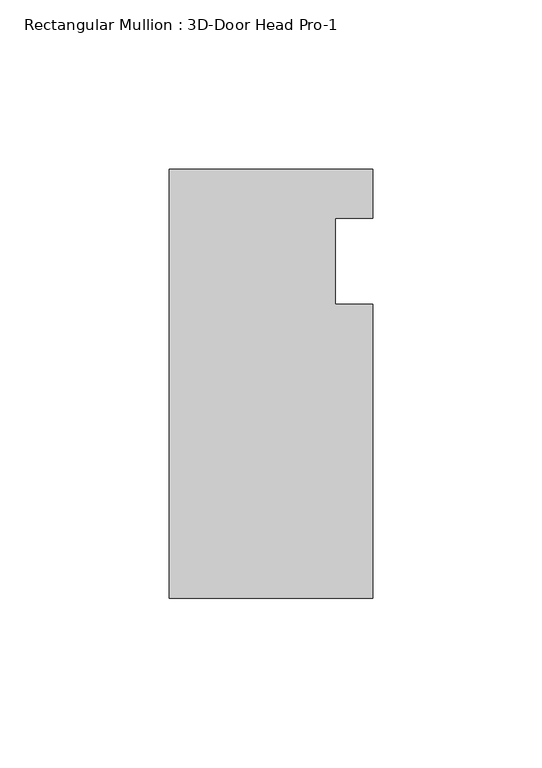
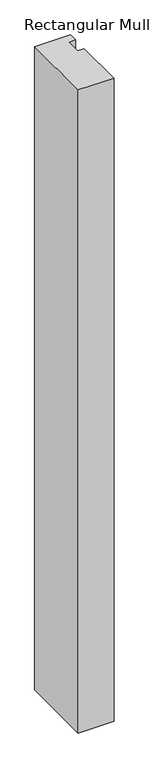
"""IFC4 building model written with IfcOpenShell, lengths in millimetres: member geometry, Rectangular Mullion : 3D-Door Head Pro-1."""

import ifcopenshell
import ifcopenshell.guid

model = None  # the IFC model being written
_history = None  # IfcOwnerHistory: only IFC2X3 demands one
_inside = {}  # id of a spatial element -> (the spatial element, [elements in it])
_under = {}  # id of a project, library or spatial element -> (it, [spatial elements below it])
_declared = {}  # id of a project -> (the project, [libraries it declares])
_typed = {}  # id of a type object -> (the type object, [elements of that type])
_made_of = {}  # id of a material, layer set ... -> (it, [elements and type objects made of it])


def new_model(schema):
    """Start an empty IFC model of exactly this schema.

    Asked for "IFC4X3", IfcOpenShell would pick the latest addendum, in which some entities
    have other attributes; the version numbers below select the first issue.
    IFC2X3 requires an IfcOwnerHistory on every rooted entity: one is made here for all.
    """
    global model, _history
    if schema == "IFC4X3":
        model = ifcopenshell.file(schema_version=(4, 3, 0, 0))
    else:
        model = ifcopenshell.file(schema=schema)
    _inside.clear()
    _under.clear()
    _declared.clear()
    _typed.clear()
    _made_of.clear()
    _history = None
    if model.schema == "IFC2X3":
        org = make("IfcOrganization", Name="unknown")
        user = make(
            "IfcPersonAndOrganization",
            ThePerson=make("IfcPerson", FamilyName="unknown"),
            TheOrganization=org,
        )
        app = make(
            "IfcApplication",
            ApplicationDeveloper=org,
            Version="unknown",
            ApplicationFullName="unknown",
            ApplicationIdentifier="unknown",
        )
        _history = make(
            "IfcOwnerHistory",
            OwningUser=user,
            OwningApplication=app,
            ChangeAction="ADDED",
            CreationDate=0,
        )
    return model


def make(cls, **values):
    """One entity of the class cls with the attributes given. An attribute that is None is left unset."""
    return model.create_entity(
        cls, **{name: value for name, value in values.items() if value is not None}
    )


def rooted(cls, **values):
    """An entity with a GlobalId (a new one), such as an element, a storey or a relation."""
    return make(cls, GlobalId=ifcopenshell.guid.new(), OwnerHistory=_history, **values)


def si_unit(unit_type, name, prefix=None):
    """IfcSIUnit, for example si_unit("LENGTHUNIT", "METRE", prefix="MILLI")."""
    return make("IfcSIUnit", UnitType=unit_type, Prefix=prefix, Name=name)


def assignment(units):
    """IfcUnitAssignment: the units of a project."""
    return None if units is None else make("IfcUnitAssignment", Units=units)


def point(xyz):
    """IfcCartesianPoint."""
    return None if xyz is None else make("IfcCartesianPoint", Coordinates=xyz)


def direction(xyz):
    """IfcDirection."""
    return None if xyz is None else make("IfcDirection", DirectionRatios=xyz)


def frame(location, z_axis=None, x_axis=None):
    """IfcAxis2Placement3D, a coordinate frame: its origin and axes. An axis left out is left unset."""
    return make(
        "IfcAxis2Placement3D",
        Location=point(location),
        Axis=direction(z_axis),
        RefDirection=direction(x_axis),
    )


def origin():
    """The frame at (0, 0, 0) with its axes left unset."""
    return frame((0.0, 0.0, 0.0))


def place(relative_to, where):
    """IfcLocalPlacement: puts the frame where relative to a parent placement (None: the world)."""
    return make(
        "IfcLocalPlacement", PlacementRelTo=relative_to, RelativePlacement=where
    )


def context(
    kind, dimensions, precision=None, world=None, true_north=None, identifier=None
):
    """IfcGeometricRepresentationContext, for example the 3D "Model" context."""
    return make(
        "IfcGeometricRepresentationContext",
        ContextIdentifier=identifier,
        ContextType=kind,
        CoordinateSpaceDimension=dimensions,
        Precision=precision,
        WorldCoordinateSystem=world,
        TrueNorth=true_north,
    )


def project(units=None, contexts=None):
    """IfcProject with its units and contexts."""
    return rooted(
        "IfcProject",
        Name="project",
        RepresentationContexts=contexts,
        UnitsInContext=assignment(units),
    )


def spatial(cls, under=None, at=None, **own):
    """A site, building, storey or space (cls), placed at a placement, below another one or the project."""
    s = rooted(cls, ObjectPlacement=at, **own)
    if under is not None:
        _under.setdefault(under.id(), (under, []))[1].append(s)
    return s


def polyline(points):
    """IfcPolyline through the points."""
    return make("IfcPolyline", Points=[point(p) for p in points])


def outline(outer, holes=None, kind="AREA"):
    """IfcArbitraryClosedProfileDef: a profile drawn as a closed curve; with holes, ...WithVoids."""
    if holes is None:
        return make("IfcArbitraryClosedProfileDef", ProfileType=kind, OuterCurve=outer)
    return make(
        "IfcArbitraryProfileDefWithVoids",
        ProfileType=kind,
        OuterCurve=outer,
        InnerCurves=holes,
    )


def extrude(swept, where, along, depth):
    """IfcExtrudedAreaSolid: the profile swept, set in the frame where, extruded along a direction by depth."""
    return make(
        "IfcExtrudedAreaSolid",
        SweptArea=swept,
        Position=where,
        ExtrudedDirection=direction(along),
        Depth=depth,
    )


def shape(context_of_items, identifier, shape_type, items):
    """IfcShapeRepresentation: the items that make up one representation, for example the "Body"."""
    return make(
        "IfcShapeRepresentation",
        ContextOfItems=context_of_items,
        RepresentationIdentifier=identifier,
        RepresentationType=shape_type,
        Items=items,
    )


def source(mapping_origin, context_of_items, identifier, shape_type, items):
    """IfcRepresentationMap: a shape defined once, which mapped items show again and again."""
    return make(
        "IfcRepresentationMap",
        MappingOrigin=mapping_origin,
        MappedRepresentation=shape(context_of_items, identifier, shape_type, items),
    )


def transform(
    local_origin,
    x_axis=None,
    y_axis=None,
    z_axis=None,
    scale=None,
    scale2=None,
    scale3=None,
    uniform=True,
):
    """IfcCartesianTransformationOperator3D, or its non-uniform kind. x_axis, y_axis, z_axis: its Axis1, 2, 3."""
    if uniform:
        return make(
            "IfcCartesianTransformationOperator3D",
            Axis1=direction(x_axis),
            Axis2=direction(y_axis),
            LocalOrigin=point(local_origin),
            Scale=scale,
            Axis3=direction(z_axis),
        )
    return make(
        "IfcCartesianTransformationOperator3DnonUniform",
        Axis1=direction(x_axis),
        Axis2=direction(y_axis),
        LocalOrigin=point(local_origin),
        Scale=scale,
        Axis3=direction(z_axis),
        Scale2=scale2,
        Scale3=scale3,
    )


def mapped(mapping_source, mapping_target):
    """IfcMappedItem: shows the shape of a source again, moved by a transform."""
    return make(
        "IfcMappedItem", MappingSource=mapping_source, MappingTarget=mapping_target
    )


def made_of(thing, what):
    """Note that an element or type object is made of a material, layer set ...; save() writes the relation."""
    if what is not None:
        _made_of.setdefault(what.id(), (what, []))[1].append(thing)
    return thing


def element(
    cls,
    number,
    at=None,
    inside=None,
    cuts=None,
    type_object=None,
    material=None,
    context=None,
    identifier="Body",
    shape_type=None,
    held_by="IfcProductDefinitionShape",
    body=None,
    shapes=None,
    **own,
):
    """One element of the class cls, such as IfcWall. Its Tag is "e" and its number.

    at: its placement. inside: the storey or other place that contains it. cuts: it is an
    opening in that element (IfcRelVoidsElement). A single representation is given by context,
    identifier, shape_type and body (its items); several are given by shapes. held_by: the class
    of the entity that holds the representations. save() writes the other relations.
    """
    e = rooted(cls, Tag="e%d" % number, ObjectPlacement=at, **own)
    if body is not None:
        shapes = [shape(context, identifier, shape_type, body)]
    if shapes is not None:
        e.Representation = make(held_by, Representations=shapes)
    if inside is not None:
        _inside.setdefault(inside.id(), (inside, []))[1].append(e)
    if cuts is not None:
        rooted(
            "IfcRelVoidsElement", RelatingBuildingElement=cuts, RelatedOpeningElement=e
        )
    if type_object is not None:
        _typed.setdefault(type_object.id(), (type_object, []))[1].append(e)
    return made_of(e, material)


def aggregate(whole, parts):
    """IfcRelAggregates: a whole, such as a stair, and the parts it consists of."""
    return rooted("IfcRelAggregates", RelatingObject=whole, RelatedObjects=parts)


def save(model, path):
    """Write the relations noted so far, then the file.

    IfcRelAggregates (storeys below a building ...), IfcRelContainedInSpatialStructure (elements
    in a storey), IfcRelDefinesByType, IfcRelAssociatesMaterial and IfcRelDeclares: one each for
    every whole, place, type object, material and project.
    """
    for whole, parts in _under.values():
        aggregate(whole, parts)
    for where, things in _inside.values():
        rooted(
            "IfcRelContainedInSpatialStructure",
            RelatedElements=things,
            RelatingStructure=where,
        )
    for kind, things in _typed.values():
        rooted("IfcRelDefinesByType", RelatedObjects=things, RelatingType=kind)
    for what, things in _made_of.values():
        rooted("IfcRelAssociatesMaterial", RelatedObjects=things, RelatingMaterial=what)
    for by, libraries in _declared.values():
        rooted("IfcRelDeclares", RelatingContext=by, RelatedDefinitions=libraries)
    model.write(path)


def rectangular_mullion_3d_door_head_pro_1_96312bf7(model_context):
    return source(origin(), model_context, "Body", "SweptSolid", [
        extrude(outline(polyline([(28.575, 39.4729351), (17.4625, 39.4729351), (17.4625, 14.0729351), (28.575, 14.0729351), (28.575, -72.9239658), (-31.7373, -72.9239658), (-31.7373, 54.0724033), (28.575, 54.0724033), (28.575, 39.4729351)])), frame((0.0, 0.0, -1146.6857985), z_axis=(0.0, 0.0, 1.0), x_axis=(1.0, 0.0, 0.0)), (0.0, 0.0, 1.0), 1146.6857985),
    ])


if __name__ == "__main__":
    model = new_model("IFC4")
    model_context = context("Model", 3, world=origin())
    ifc_project = project(units=[si_unit("LENGTHUNIT", "METRE", prefix="MILLI")], contexts=[model_context])
    site = spatial("IfcSite", under=ifc_project)
    building = spatial("IfcBuilding", under=site)
    placement = place(None, origin())
    rectangular_mullion_3d_door_head_pro_1_shape = rectangular_mullion_3d_door_head_pro_1_96312bf7(model_context)
    element("IfcMember", 1, ObjectType="Rectangular Mullion : 3D-Door Head Pro-1", at=placement, inside=building, context=model_context, shape_type="MappedRepresentation", body=[
        mapped(rectangular_mullion_3d_door_head_pro_1_shape, transform((0.0, 0.0, 0.0), x_axis=(1.0, 0.0, 0.0), y_axis=(0.0, 1.0, 0.0), z_axis=(0.0, 0.0, 1.0))),
    ])
    save(model, "model.ifc")
